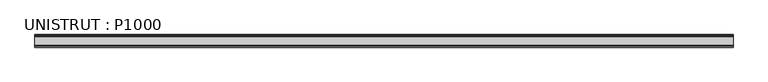
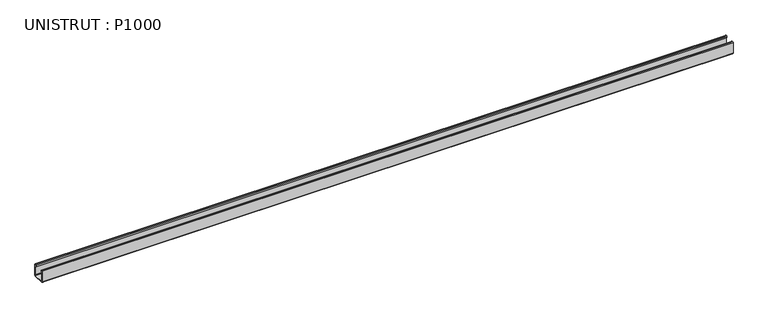
"""IFC4 building model written with IfcOpenShell, lengths in millimetres: beam geometry, UNISTRUT : P1000."""

from ifc_helpers import new_model, si_unit, point, frame, frame_2d, origin, place, context, project, spatial, polyline, circle_curve, trimmed, segment, composite_curve, outline, extrude, source, transform, mapped, element, save


def unistrut_p1000_18392f99(model_context):
    return source(origin(), model_context, "Body", "SweptSolid", [
        extrude(outline(composite_curve([segment(polyline([(-20.6375, -17.4273239), (-20.6375, 18.6242894)]), True, "CONTINUOUS"), segment(trimmed(circle_curve(frame_2d((-18.6242894, 18.6242894)), 2.0132106), [point((-20.6375, 18.6242894))], [point((-18.6242894, 20.6375))], False, "CARTESIAN"), True, "CONTINUOUS"), segment(polyline([(-18.6242894, 20.6375), (-16.271875, 20.6375)]), True, "CONTINUOUS"), segment(trimmed(circle_curve(frame_2d((-16.271875, 18.653125)), 1.984375), [point((-16.271875, 20.6375))], [point((-14.2875, 18.653125))], False, "CARTESIAN"), True, "CONTINUOUS"), segment(polyline([(-14.2875, 18.653125), (-14.2875, 14.7193), (-15.1804687, 14.7193), (-15.1804687, 18.653125)]), True, "CONTINUOUS"), segment(trimmed(circle_curve(frame_2d((-16.271875, 18.653125)), 1.0914062), [point((-15.1804687, 18.653125))], [point((-16.271875, 19.7445312))], True, "CARTESIAN"), True, "CONTINUOUS"), segment(polyline([(-16.271875, 19.7445312), (-18.6242894, 19.7445312)]), True, "CONTINUOUS"), segment(trimmed(circle_curve(frame_2d((-18.6242894, 18.6242894)), 1.1202418), [point((-18.6242894, 19.7445312))], [point((-19.7445312, 18.6242894))], True, "CARTESIAN"), True, "CONTINUOUS"), segment(polyline([(-19.7445312, 18.6242894), (-19.7445312, -17.4273239)]), True, "CONTINUOUS"), segment(trimmed(circle_curve(frame_2d((-17.4273239, -17.4273239)), 2.3172074), [point((-19.7445312, -17.4273239))], [point((-17.4273239, -19.7445313))], True, "CARTESIAN"), True, "CONTINUOUS"), segment(polyline([(-17.4273239, -19.7445313), (17.4655346, -19.7445313)]), True, "CONTINUOUS"), segment(trimmed(circle_curve(frame_2d((17.4655346, -17.4655346)), 2.2789966), [point((17.4655346, -19.7445313))], [point((19.7445313, -17.4655346))], True, "CARTESIAN"), True, "CONTINUOUS"), segment(polyline([(19.7445313, -17.4655346), (19.7445313, 18.653125)]), True, "CONTINUOUS"), segment(trimmed(circle_curve(frame_2d((18.653125, 18.653125)), 1.0914063), [point((19.7445313, 18.653125))], [point((18.653125, 19.7445312))], True, "CARTESIAN"), True, "CONTINUOUS"), segment(polyline([(18.653125, 19.7445312), (16.2236081, 19.7445312)]), True, "CONTINUOUS"), segment(trimmed(circle_curve(frame_2d((16.2236081, 18.7013919)), 1.0431394), [point((16.2236081, 19.7445312))], [point((15.1804688, 18.7013919))], True, "CARTESIAN"), True, "CONTINUOUS"), segment(polyline([(15.1804688, 18.7013919), (15.1804688, 14.7193), (14.2875, 14.7193), (14.2875, 18.7013919)]), True, "CONTINUOUS"), segment(trimmed(circle_curve(frame_2d((16.2236081, 18.7013919)), 1.9361081), [point((14.2875, 18.7013919))], [point((16.2236081, 20.6375))], False, "CARTESIAN"), True, "CONTINUOUS"), segment(polyline([(16.2236081, 20.6375), (18.653125, 20.6375)]), True, "CONTINUOUS"), segment(trimmed(circle_curve(frame_2d((18.653125, 18.653125)), 1.984375), [point((18.653125, 20.6375))], [point((20.6375, 18.653125))], False, "CARTESIAN"), True, "CONTINUOUS"), segment(polyline([(20.6375, 18.653125), (20.6375, -17.4655346)]), True, "CONTINUOUS"), segment(trimmed(circle_curve(frame_2d((17.4655346, -17.4655346)), 3.1719654), [point((20.6375, -17.4655346))], [point((17.4655346, -20.6375))], False, "CARTESIAN"), True, "CONTINUOUS"), segment(polyline([(17.4655346, -20.6375), (-17.4273239, -20.6375)]), True, "CONTINUOUS"), segment(trimmed(circle_curve(frame_2d((-17.4273239, -17.4273239)), 3.2101761), [point((-17.4273239, -20.6375))], [point((-20.6375, -17.4273239))], False, "CARTESIAN"), True, "CONTINUOUS")], self_intersect=False)), frame((-1137.4134718, 0.0, 0.0), z_axis=(1.0, 0.0, 0.0), x_axis=(0.0, 1.0, 0.0)), (0.0, 0.0, 1.0), 2274.8269435),
    ])


if __name__ == "__main__":
    model = new_model("IFC4")
    model_context = context("Model", 3, world=origin())
    ifc_project = project(units=[si_unit("LENGTHUNIT", "METRE", prefix="MILLI")], contexts=[model_context])
    site = spatial("IfcSite", under=ifc_project)
    building = spatial("IfcBuilding", under=site)
    placement = place(None, origin())
    unistrut_p1000_shape = unistrut_p1000_18392f99(model_context)
    element("IfcBeam", 1, ObjectType="UNISTRUT : P1000", at=placement, inside=building, context=model_context, shape_type="MappedRepresentation", body=[
        mapped(unistrut_p1000_shape, transform((0.0, 0.0, 0.0), x_axis=(1.0, 0.0, 0.0), y_axis=(0.0, 1.0, 0.0), z_axis=(0.0, 0.0, 1.0))),
    ])
    save(model, "model.ifc")
